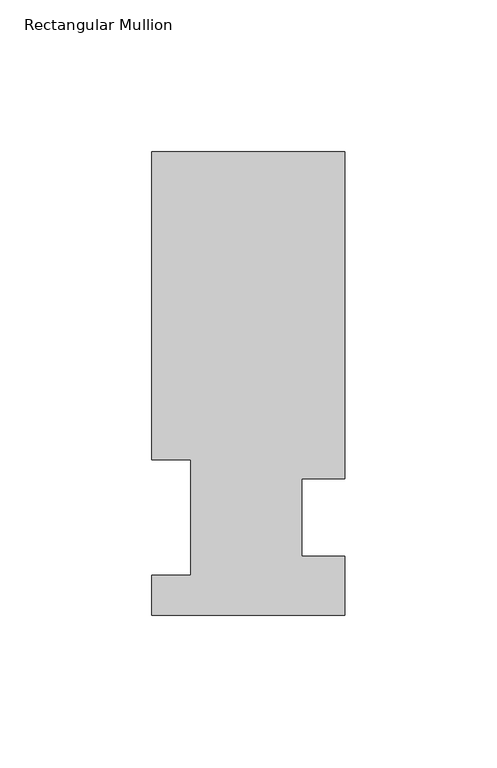
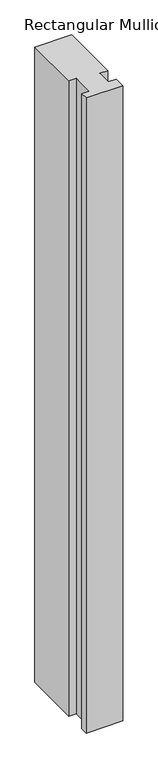
"""IFC4 building model written with IfcOpenShell, lengths in millimetres: member geometry, Rectangular Mullion."""

from ifc_helpers import new_model, si_unit, frame, origin, place, context, project, spatial, polyline, outline, extrude, source, transform, mapped, element, save


def rectangular_mullion_0e10156f(model_context):
    return source(origin(), model_context, "Body", "SweptSolid", [
        extrude(outline(polyline([(-31.75, 152.4896937), (31.75, 152.4896937), (31.75, 44.9460937), (17.4625, 44.9460937), (17.4625, 19.5460937), (31.75, 19.5460937), (31.75, 0.0134937), (-31.75, 0.0134937), (-31.75, 13.1960937), (-19.05, 13.1960937), (-19.05, 51.2960937), (-31.75, 51.2960938), (-31.75, 152.4896937)])), frame((0.0, 0.0, -1155.7), z_axis=(0.0, 0.0, 1.0), x_axis=(1.0, 0.0, 0.0)), (0.0, 0.0, 1.0), 1155.7),
    ])


if __name__ == "__main__":
    model = new_model("IFC4")
    model_context = context("Model", 3, world=origin())
    ifc_project = project(units=[si_unit("LENGTHUNIT", "METRE", prefix="MILLI")], contexts=[model_context])
    site = spatial("IfcSite", under=ifc_project)
    building = spatial("IfcBuilding", under=site)
    placement = place(None, origin())
    rectangular_mullion_shape = rectangular_mullion_0e10156f(model_context)
    element("IfcMember", 1, ObjectType="Rectangular Mullion", at=placement, inside=building, context=model_context, shape_type="MappedRepresentation", body=[
        mapped(rectangular_mullion_shape, transform((0.0, 0.0, 0.0), x_axis=(1.0, 0.0, 0.0), y_axis=(0.0, 1.0, 0.0), z_axis=(0.0, 0.0, 1.0))),
    ])
    save(model, "model.ifc")
